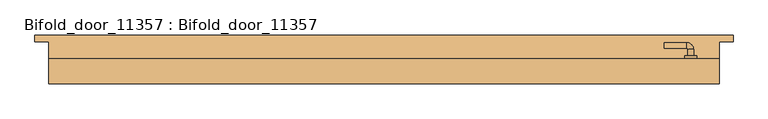
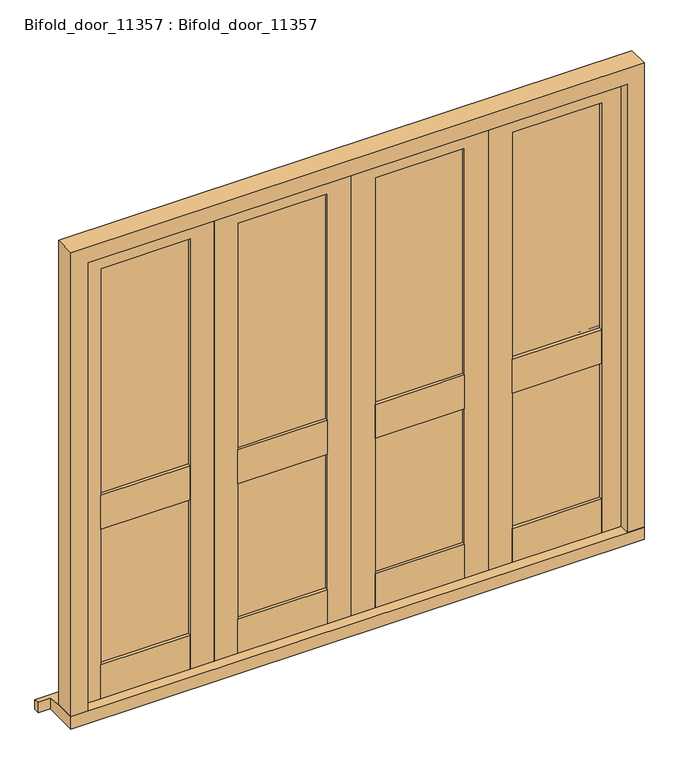
"""IFC4 building model written with IfcOpenShell, lengths in millimetres: door geometry, Bifold_door_11357 : Bifold_door_11357."""

from ifc_helpers import new_model, si_unit, point, frame, frame_2d, origin, place, context, project, spatial, polyline, circle_curve, ellipse_curve, trimmed, segment, composite_curve, outline, extrude, faceted_brep, source, transform, mapped, element, save
from ifc_brep_helpers import plane_surface, cylinder_surface, revolved_surface, advanced_brep


def bifold_door_11357_bifold_door_11357_4d55604b(model_context):
    return source(origin(), model_context, "Body", "SolidModel", [
        extrude(outline(polyline([(100.0, 2.0), (474.25, 2.0), (474.25, -12.0), (100.0, -12.0), (100.0, 2.0)])), frame((0.0, 0.0, 804.5), z_axis=(0.0, 0.0, 1.0), x_axis=(1.0, 0.0, 0.0)), (0.0, 0.0, 1.0), 150.0),
        extrude(outline(polyline([(474.25, -42.0), (100.0, -42.0), (100.0, -28.0), (474.25, -28.0), (474.25, -42.0)])), frame((0.0, 0.0, 804.5), z_axis=(0.0, 0.0, 1.0), x_axis=(1.0, 0.0, 0.0)), (0.0, 0.0, 1.0), 150.0),
        extrude(outline(polyline([(474.25, -28.0), (100.0, -28.0), (100.0, -12.0), (474.25, -12.0), (474.25, -28.0)])), frame((0.0, 0.0, 204.5), z_axis=(0.0, 0.0, 1.0), x_axis=(1.0, 0.0, 0.0)), (0.0, 0.0, 1.0), 1754.0),
        extrude(outline(polyline([(100.0, -42.0), (100.0, 2.0), (474.25, 2.0), (474.25, -42.0), (100.0, -42.0)])), frame((0.0, 0.0, 54.5), z_axis=(0.0, 0.0, 1.0), x_axis=(1.0, 0.0, 0.0)), (0.0, 0.0, 1.0), 150.0),
        extrude(outline(polyline([(54.5, 0.0), (54.5, 100.0), (1958.5, 100.0), (1958.5, 474.25), (54.5, 474.25), (54.5, 574.25), (2058.5, 574.25), (2058.5, 0.0), (54.5, 0.0)])), frame((0.0, -42.0, 0.0), z_axis=(0.0, 1.0, 0.0), x_axis=(0.0, 0.0, 1.0)), (0.0, 0.0, 1.0), 44.0),
        extrude(outline(polyline([(-474.25, 2.0), (-100.0, 2.0), (-100.0, -12.0), (-474.25, -12.0), (-474.25, 2.0)])), frame((0.0, 0.0, 804.5), z_axis=(0.0, 0.0, 1.0), x_axis=(1.0, 0.0, 0.0)), (0.0, 0.0, 1.0), 150.0),
        extrude(outline(polyline([(-100.0, -42.0), (-474.25, -42.0), (-474.25, -28.0), (-100.0, -28.0), (-100.0, -42.0)])), frame((0.0, 0.0, 804.5), z_axis=(0.0, 0.0, 1.0), x_axis=(1.0, 0.0, 0.0)), (0.0, 0.0, 1.0), 150.0),
        extrude(outline(polyline([(-100.0, -28.0), (-474.25, -28.0), (-474.25, -12.0), (-100.0, -12.0), (-100.0, -28.0)])), frame((0.0, 0.0, 204.5), z_axis=(0.0, 0.0, 1.0), x_axis=(1.0, 0.0, 0.0)), (0.0, 0.0, 1.0), 1754.0),
        extrude(outline(polyline([(-474.25, -42.0), (-474.25, 2.0), (-100.0, 2.0), (-100.0, -42.0), (-474.25, -42.0)])), frame((0.0, 0.0, 54.5), z_axis=(0.0, 0.0, 1.0), x_axis=(1.0, 0.0, 0.0)), (0.0, 0.0, 1.0), 150.0),
        extrude(outline(polyline([(54.5, -574.25), (54.5, -474.25), (1958.5, -474.25), (1958.5, -100.0), (54.5, -100.0), (54.5, 0.0), (2058.5, 0.0), (2058.5, -574.25), (54.5, -574.25)])), frame((0.0, -42.0, 0.0), z_axis=(0.0, 1.0, 0.0), x_axis=(0.0, 0.0, 1.0)), (0.0, 0.0, 1.0), 44.0),
        extrude(outline(polyline([(674.25, 2.0), (1048.5, 2.0), (1048.5, -12.0), (674.25, -12.0), (674.25, 2.0)])), frame((0.0, 0.0, 804.5), z_axis=(0.0, 0.0, 1.0), x_axis=(1.0, 0.0, 0.0)), (0.0, 0.0, 1.0), 150.0),
        extrude(outline(polyline([(1048.5, -42.0), (674.25, -42.0), (674.25, -28.0), (1048.5, -28.0), (1048.5, -42.0)])), frame((0.0, 0.0, 804.5), z_axis=(0.0, 0.0, 1.0), x_axis=(1.0, 0.0, 0.0)), (0.0, 0.0, 1.0), 150.0),
        extrude(outline(polyline([(1048.5, -28.0), (674.25, -28.0), (674.25, -12.0), (1048.5, -12.0), (1048.5, -28.0)])), frame((0.0, 0.0, 204.5), z_axis=(0.0, 0.0, 1.0), x_axis=(1.0, 0.0, 0.0)), (0.0, 0.0, 1.0), 1754.0),
        extrude(outline(polyline([(674.25, -42.0), (674.25, 2.0), (1048.5, 2.0), (1048.5, -42.0), (674.25, -42.0)])), frame((0.0, 0.0, 54.5), z_axis=(0.0, 0.0, 1.0), x_axis=(1.0, 0.0, 0.0)), (0.0, 0.0, 1.0), 150.0),
        extrude(outline(polyline([(54.5, 574.25), (54.5, 674.25), (1958.5, 674.25), (1958.5, 1048.5), (54.5, 1048.5), (54.5, 1148.5), (2058.5, 1148.5), (2058.5, 574.25), (54.5, 574.25)])), frame((0.0, -42.0, 0.0), z_axis=(0.0, 1.0, 0.0), x_axis=(0.0, 0.0, 1.0)), (0.0, 0.0, 1.0), 44.0),
        extrude(outline(polyline([(-1048.5, 2.0), (-674.25, 2.0), (-674.25, -12.0), (-1048.5, -12.0), (-1048.5, 2.0)])), frame((0.0, 0.0, 804.5), z_axis=(0.0, 0.0, 1.0), x_axis=(1.0, 0.0, 0.0)), (0.0, 0.0, 1.0), 150.0),
        extrude(outline(polyline([(-674.25, -42.0), (-1048.5, -42.0), (-1048.5, -28.0), (-674.25, -28.0), (-674.25, -42.0)])), frame((0.0, 0.0, 804.5), z_axis=(0.0, 0.0, 1.0), x_axis=(1.0, 0.0, 0.0)), (0.0, 0.0, 1.0), 150.0),
        extrude(outline(polyline([(-674.25, -28.0), (-1048.5, -28.0), (-1048.5, -12.0), (-674.25, -12.0), (-674.25, -28.0)])), frame((0.0, 0.0, 204.5), z_axis=(0.0, 0.0, 1.0), x_axis=(1.0, 0.0, 0.0)), (0.0, 0.0, 1.0), 1754.0),
        extrude(outline(polyline([(-1048.5, -42.0), (-1048.5, 2.0), (-674.25, 2.0), (-674.25, -42.0), (-1048.5, -42.0)])), frame((0.0, 0.0, 54.5), z_axis=(0.0, 0.0, 1.0), x_axis=(1.0, 0.0, 0.0)), (0.0, 0.0, 1.0), 150.0),
        extrude(outline(polyline([(54.5, -1148.5), (54.5, -1048.5), (1958.5, -1048.5), (1958.5, -674.25), (54.5, -674.25), (54.5, -574.25), (2058.5, -574.25), (2058.5, -1148.5), (54.5, -1148.5)])), frame((0.0, -42.0, 0.0), z_axis=(0.0, 1.0, 0.0), x_axis=(0.0, 0.0, 1.0)), (0.0, 0.0, 1.0), 44.0),
        advanced_brep(
        [(1108.5, 12.0, 913.5197851), (1088.5, 12.0, 913.5197851), (1108.5, 35.0, 913.5197851), (1088.5, 35.0, 913.5197851), (1083.5, 40.0, 913.5197851), (1083.5, 60.0, 913.5197851), (1003.3501694, 60.0, 913.5197851), (1003.3501694, 40.0, 913.5197851)],
        [
            (0, 1, circle_curve(frame((1098.5, 12.0, 913.5197851), z_axis=(0.0, -1.0, 0.0), x_axis=(-1.0, 0.0, 0.0)), 10.0)),
            (1, 0, circle_curve(frame((1098.5, 12.0, 913.5197851), z_axis=(0.0, -1.0, 0.0), x_axis=(-1.0, 0.0, 0.0)), 10.0)),
            (0, 2),
            (2, 3, circle_curve(frame((1098.5, 35.0, 913.5197851), z_axis=(0.0, -1.0, 0.0), x_axis=(-1.0, 0.0, 0.0)), 10.0)),
            (3, 1),
            (3, 2, circle_curve(frame((1098.5, 35.0, 913.5197851), z_axis=(0.0, -1.0, 0.0), x_axis=(-1.0, 0.0, 0.0)), 10.0)),
            (4, 3, circle_curve(frame((1083.5, 35.0, 913.5197851), z_axis=(0.0, 0.0, -1.0), x_axis=(1.0, 0.0, 0.0)), 5.0)),
            (2, 5, circle_curve(frame((1083.5, 35.0, 913.5197851), z_axis=(0.0, 0.0, 1.0), x_axis=(1.0, 0.0, 0.0)), 25.0)),
            (5, 4, circle_curve(frame((1083.5, 50.0, 913.5197851), z_axis=(1.0, 0.0, 0.0), x_axis=(0.0, -1.0, 0.0)), 10.0)),
            (4, 5, circle_curve(frame((1083.5, 50.0, 913.5197851), z_axis=(1.0, 0.0, 0.0), x_axis=(0.0, -1.0, 0.0)), 10.0)),
            (6, 7, circle_curve(frame((1003.3501694, 50.0, 913.5197851), z_axis=(-1.0, 0.0, 0.0), x_axis=(0.0, -1.0, 0.0)), 10.0)),
            (7, 6, circle_curve(frame((1003.3501694, 50.0, 913.5197851), z_axis=(-1.0, 0.0, 0.0), x_axis=(0.0, -1.0, 0.0)), 10.0)),
            (5, 6),
            (7, 4),
        ],
        [
            plane_surface(frame((1098.5, 12.0, 0.0), z_axis=(0.0, -1.0, 0.0), x_axis=(0.0, 0.0, 1.0))),
            cylinder_surface(frame((1098.5, 12.0, 913.5197851), z_axis=(0.0, -1.0, 0.0), x_axis=(-1.0, 0.0, 0.0)), 10.0),
            revolved_surface(trimmed(ellipse_curve(frame((1098.5, 35.0, 913.5197851), z_axis=(0.0, -1.0, 0.0), x_axis=(-1.0, 0.0, 0.0)), 10.0, 10.0), [point((1108.5, 35.0, 913.5197851))], [point((1088.5, 35.0, 913.5197851))], True, "CARTESIAN"), (1083.5, 35.0, 0.0), (0.0, 0.0, 1.0)),
            revolved_surface(trimmed(ellipse_curve(frame((1098.5, 35.0, 913.5197851), z_axis=(0.0, -1.0, 0.0), x_axis=(-1.0, 0.0, 0.0)), 10.0, 10.0), [point((1088.5, 35.0, 913.5197851))], [point((1108.5, 35.0, 913.5197851))], True, "CARTESIAN"), (1083.5, 35.0, 0.0), (0.0, 0.0, 1.0)),
            plane_surface(frame((1003.3501694, 50.0, 0.0), z_axis=(-1.0, 0.0, 0.0), x_axis=(0.0, 0.0, 1.0))),
            cylinder_surface(frame((1083.5, 50.0, 913.5197851), z_axis=(1.0, 0.0, 0.0), x_axis=(0.0, -1.0, 0.0)), 10.0),
        ],
        [
            (0, [[1, 2]]),
            (1, [[-1, 3, 4, 5]]),
            (1, [[-2, -5, 6, -3]]),
            (2, [[7, -4, 8, 9]]),
            (3, [[-8, -6, -7, 10]]),
            (4, [[11, 12]]),
            (5, [[-9, 13, -12, 14]]),
            (5, [[-10, -14, -11, -13]]),
        ],
    ),
        extrude(outline(composite_curve([segment(polyline([(809.5, 1119.5), (947.5395702, 1119.5)]), True, "CONTINUOUS"), segment(trimmed(circle_curve(frame_2d((932.9481035, 1098.5)), 25.5716817), [point((947.5395702, 1119.5))], [point((947.5395702, 1077.5))], False, "CARTESIAN"), True, "CONTINUOUS"), segment(polyline([(947.5395702, 1077.5), (809.5, 1077.5)]), True, "CONTINUOUS"), segment(trimmed(circle_curve(frame_2d((824.0914668, 1098.5)), 25.5716817), [point((809.5, 1077.5))], [point((809.5, 1119.5))], False, "CARTESIAN"), True, "CONTINUOUS")], self_intersect=False), holes=[composite_curve([segment(polyline([(834.5197851, 1095.5), (844.5197851, 1095.5)]), True, "CONTINUOUS"), segment(trimmed(circle_curve(frame_2d((848.5197851, 1098.5)), 5.0), [point((844.5197851, 1095.5))], [point((844.5197851, 1101.5))], True, "CARTESIAN"), True, "CONTINUOUS"), segment(polyline([(844.5197851, 1101.5), (834.5197851, 1101.5)]), True, "CONTINUOUS"), segment(trimmed(circle_curve(frame_2d((834.7134009, 1098.5)), 3.0062414), [point((834.5197851, 1101.5))], [point((834.5197851, 1095.5))], True, "CARTESIAN"), True, "CONTINUOUS")], self_intersect=False)]), frame((0.0, 2.0, 0.0), z_axis=(0.0, 1.0, 0.0), x_axis=(0.0, 0.0, 1.0)), (0.0, 0.0, 1.0), 10.0),
        faceted_brep([(1250.0, 87.0, 0.0), (1250.0, 87.0, 41.609375), (1250.0, 62.0, 45.4007353), (1250.0, 62.0, 0.0), (-1250.0, 87.0, 41.609375), (-1250.0, 87.0, 0.0), (-1250.0, 62.0, 0.0), (-1250.0, 62.0, 45.4007353), (-1200.0, -87.0, 54.5), (-1200.0, -87.0, 0.0), (1200.0, -87.0, 0.0), (1200.0, -87.0, 54.5), (1200.0, 62.0, 0.0), (-1200.0, 62.0, 0.0), (-1200.0, 62.0, 45.4007353), (-1200.0, 2.0, 54.5), (1200.0, 2.0, 54.5), (1200.0, 62.0, 45.4007353)], [[[0, 1, 2, 3]], [[4, 5, 6, 7]], [[8, 9, 10, 11]], [[5, 0, 3, 12, 10, 9, 13, 6]], [[1, 0, 5, 4]], [[1, 4, 7, 14, 15, 16, 17, 2]], [[15, 8, 11, 16]], [[13, 14, 7, 6]], [[14, 13, 9, 8, 15]], [[12, 17, 16, 11, 10]], [[17, 12, 3, 2]]]),
        faceted_brep([(1200.0, -87.0, 54.5), (1129.5, -87.0, 54.5), (1129.5, -45.0, 54.5), (1151.5, -45.0, 54.5), (1151.5, 2.0, 54.5), (1200.0, 2.0, 54.5), (1200.0, -87.0, 2110.0), (-1200.0, -87.0, 2110.0), (-1200.0, -87.0, 54.5), (-1129.5, -87.0, 54.5), (-1129.5, -87.0, 2039.5), (1129.5, -87.0, 2039.5), (1129.5, -45.0, 2039.5), (-1129.5, -45.0, 2039.5), (-1129.5, -45.0, 54.5), (-1151.5, -45.0, 54.5), (-1151.5, -45.0, 2061.5), (1151.5, -45.0, 2061.5), (1151.5, 2.0, 2061.5), (-1151.5, 2.0, 2061.5), (-1151.5, 2.0, 54.5), (-1200.0, 2.0, 54.5), (-1200.0, 2.0, 2110.0), (1200.0, 2.0, 2110.0)], [[[0, 1, 2, 3, 4, 5]], [[1, 0, 6, 7, 8, 9, 10, 11]], [[2, 1, 11, 12]], [[3, 2, 12, 13, 14, 15, 16, 17]], [[4, 3, 17, 18]], [[5, 4, 18, 19, 20, 21, 22, 23]], [[0, 5, 23, 6]], [[7, 22, 21, 8]], [[8, 21, 20, 15, 14, 9]], [[13, 10, 9, 14]], [[19, 16, 15, 20]], [[12, 11, 10, 13]], [[18, 17, 16, 19]], [[6, 23, 22, 7]]]),
    ])


if __name__ == "__main__":
    model = new_model("IFC4")
    model_context = context("Model", 3, world=origin())
    ifc_project = project(units=[si_unit("LENGTHUNIT", "METRE", prefix="MILLI")], contexts=[model_context])
    site = spatial("IfcSite", under=ifc_project)
    building = spatial("IfcBuilding", under=site)
    placement = place(None, origin())
    bifold_door_11357_bifold_door_11357_shape = bifold_door_11357_bifold_door_11357_4d55604b(model_context)
    element("IfcDoor", 1, ObjectType="Bifold_door_11357 : Bifold_door_11357", at=placement, inside=building, context=model_context, shape_type="MappedRepresentation", body=[
        mapped(bifold_door_11357_bifold_door_11357_shape, transform((0.0, 0.0, 0.0), x_axis=(1.0, 0.0, 0.0), y_axis=(0.0, 1.0, 0.0), z_axis=(0.0, 0.0, 1.0))),
    ])
    save(model, "model.ifc")
